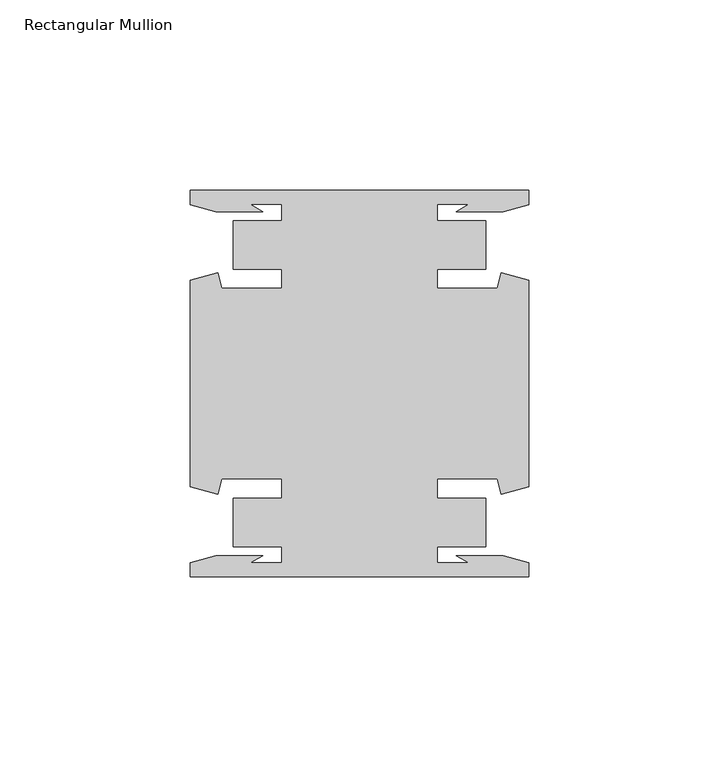
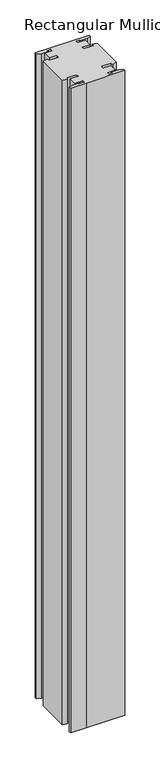
"""IFC4 building model written with IfcOpenShell, lengths in millimetres: member geometry, Rectangular Mullion."""

from ifc_helpers import new_model, si_unit, frame, origin, place, context, project, spatial, polyline, outline, extrude, source, transform, mapped, element, save


def rectangular_mullion_5f41dd6a(model_context):
    return source(origin(), model_context, "Body", "SweptSolid", [
        extrude(outline(polyline([(44.45, 50.7954622), (44.45, 46.9998463), (37.7613002, 45.2076146), (25.4334869, 45.2076146), (28.7505662, 47.1227313), (20.4638425, 47.1227313), (20.4638425, 42.8128906), (33.1638425, 42.8128906), (33.1638425, 30.1128906), (20.4638425, 30.1128906), (20.4638425, 25.0120132), (36.1594033, 25.0120132), (37.2517212, 29.0885993), (44.45, 27.1598263), (44.45, -27.1598263), (37.2517212, -29.0885993), (36.1594033, -25.0120132), (20.4638425, -25.0120132), (20.4638425, -30.1128906), (33.1638425, -30.1128906), (33.1638425, -42.8128906), (20.4638425, -42.8128906), (20.4638425, -47.1227313), (28.7505662, -47.1227313), (25.4334869, -45.2076146), (37.7613002, -45.2076146), (44.45, -46.9998463), (44.45, -50.7954622), (-19.05, -50.7954622), (-44.45, -50.7954622), (-44.45, -46.9998463), (-37.7613002, -45.2076146), (-25.4334869, -45.2076146), (-28.7505662, -47.1227313), (-20.4638425, -47.1227313), (-20.4638425, -42.8128906), (-33.1638425, -42.8128906), (-33.1638425, -30.1128906), (-20.4638425, -30.1128906), (-20.4638425, -25.0120132), (-36.1594033, -25.0120132), (-37.2517212, -29.0885993), (-44.45, -27.1598263), (-44.45, 27.1598263), (-37.2517212, 29.0885993), (-36.1594033, 25.0120132), (-20.4638425, 25.0120132), (-20.4638425, 30.1128906), (-33.1638425, 30.1128906), (-33.1638425, 42.8128906), (-20.4638425, 42.8128906), (-20.4638425, 47.1227313), (-28.7505662, 47.1227313), (-25.4334869, 45.2076146), (-37.7613002, 45.2076146), (-44.45, 46.9998463), (-44.45, 50.7954622), (-19.05, 50.7954622), (44.45, 50.7954622)])), frame((0.0, 0.0, -1121.3702905), z_axis=(0.0, 0.0, 1.0), x_axis=(1.0, 0.0, 0.0)), (0.0, 0.0, 1.0), 1121.3702905),
    ])


if __name__ == "__main__":
    model = new_model("IFC4")
    model_context = context("Model", 3, world=origin())
    ifc_project = project(units=[si_unit("LENGTHUNIT", "METRE", prefix="MILLI")], contexts=[model_context])
    site = spatial("IfcSite", under=ifc_project)
    building = spatial("IfcBuilding", under=site)
    placement = place(None, origin())
    rectangular_mullion_shape = rectangular_mullion_5f41dd6a(model_context)
    element("IfcMember", 1, ObjectType="Rectangular Mullion", at=placement, inside=building, context=model_context, shape_type="MappedRepresentation", body=[
        mapped(rectangular_mullion_shape, transform((0.0, 0.0, 0.0), x_axis=(1.0, 0.0, 0.0), y_axis=(0.0, 1.0, 0.0), z_axis=(0.0, 0.0, 1.0))),
    ])
    save(model, "model.ifc")
